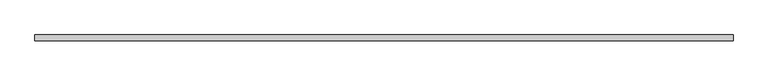
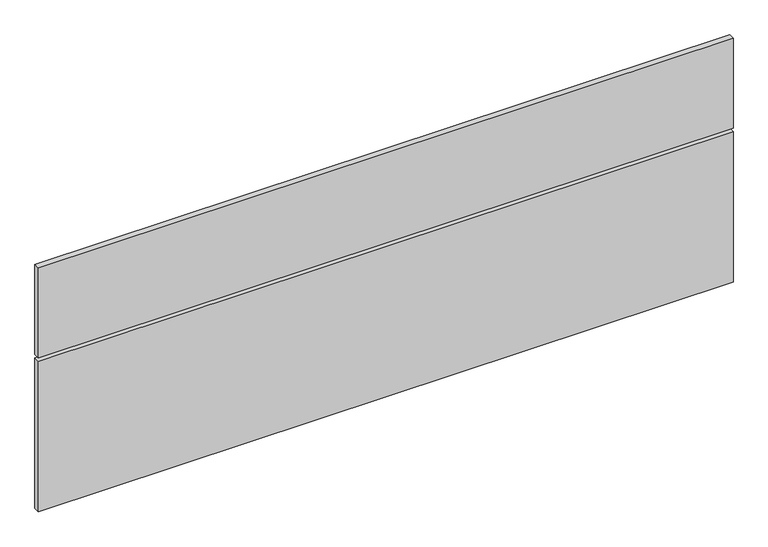
"""IFC4 building model written with IfcOpenShell, lengths in millimetres: furniture geometry."""

from ifc_helpers import new_model, si_unit, frame, origin, place, context, project, spatial, polyline, outline, extrude, source, transform, mapped, element, save


def furniture_14ce557b(model_context):
    return source(origin(), model_context, "Body", "SweptSolid", [
        extrude(outline(polyline([(2437.7994553, 23.9700054), (0.59944, 23.9700054), (0.59944, 44.5440062), (2437.7994553, 44.5440062), (2437.7994553, 23.9700054)])), frame((0.0, 0.0, 139.700003), z_axis=(0.0, 0.0, 1.0), x_axis=(1.0, 0.0, 0.0)), (0.0, 0.0, 1.0), 558.8000212),
        extrude(outline(polyline([(2437.7994553, 23.9700054), (0.59944, 23.9700054), (0.59944, 44.5440062), (2437.7994553, 44.5440062), (2437.7994553, 23.9700054)])), frame((0.0, 0.0, 711.1999758), z_axis=(0.0, 0.0, 1.0), x_axis=(1.0, 0.0, 0.0)), (0.0, 0.0, 1.0), 333.2000107),
    ])


if __name__ == "__main__":
    model = new_model("IFC4")
    model_context = context("Model", 3, world=origin())
    ifc_project = project(units=[si_unit("LENGTHUNIT", "METRE", prefix="MILLI")], contexts=[model_context])
    site = spatial("IfcSite", under=ifc_project)
    building = spatial("IfcBuilding", under=site)
    placement = place(None, origin())
    furniture_shape = furniture_14ce557b(model_context)
    element("IfcFurniture", 1, at=placement, inside=building, context=model_context, shape_type="MappedRepresentation", body=[
        mapped(furniture_shape, transform((0.0, 0.0, 0.0), x_axis=(1.0, 0.0, 0.0), y_axis=(0.0, 1.0, 0.0), z_axis=(0.0, 0.0, 1.0))),
    ])
    save(model, "model.ifc")
